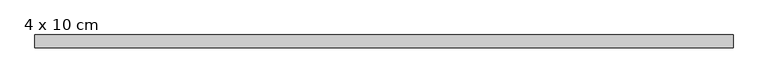
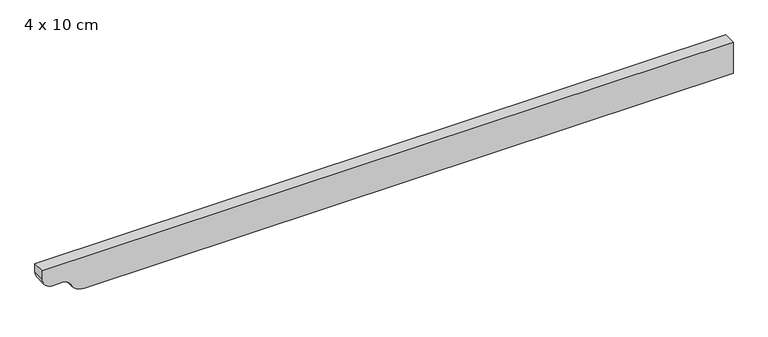
"""IFC4 building model written with IfcOpenShell, lengths in millimetres: beam geometry, 4 x 10 cm."""

from ifc_helpers import new_model, si_unit, point, frame, frame_2d, origin, place, context, project, spatial, polyline, circle_curve, trimmed, segment, composite_curve, outline, extrude, source, transform, mapped, element, save


def beam_4_x_10_cm_5cacb6c6(model_context):
    return source(origin(), model_context, "Body", "SweptSolid", [
        extrude(outline(composite_curve([segment(polyline([(50.0, 1068.0786163), (50.0, -1107.8068623), (22.5, -1107.8068623)]), True, "CONTINUOUS"), segment(trimmed(circle_curve(frame_2d((22.5, -1075.3068623)), 32.5), [point((22.5, -1107.8068623))], [point((-10.0, -1075.3068623))], False, "CARTESIAN"), True, "CONTINUOUS"), segment(polyline([(-10.0, -1075.3068623), (-10.0, -1044.2966571)]), True, "CONTINUOUS"), segment(trimmed(circle_curve(frame_2d((-40.0, -1044.2966571)), 30.0), [point((-10.0, -1044.2966571))], [point((-34.0, -1014.9027802))], True, "CARTESIAN"), True, "CONTINUOUS"), segment(trimmed(circle_curve(frame_2d((-3.1535049, -975.5518751)), 50.0), [point((-34.0, -1014.9027802))], [point((-53.1535049, -975.5518751))], False, "CARTESIAN"), True, "CONTINUOUS"), segment(polyline([(-53.1535049, -975.5518751), (-53.1535049, 1068.0786163), (50.0, 1068.0786163)]), True, "CONTINUOUS")], self_intersect=False)), frame((0.0, -20.0, 0.0), z_axis=(0.0, 1.0, 0.0), x_axis=(0.0, 0.0, 1.0)), (0.0, 0.0, 1.0), 40.0),
    ])


if __name__ == "__main__":
    model = new_model("IFC4")
    model_context = context("Model", 3, world=origin())
    ifc_project = project(units=[si_unit("LENGTHUNIT", "METRE", prefix="MILLI")], contexts=[model_context])
    site = spatial("IfcSite", under=ifc_project)
    building = spatial("IfcBuilding", under=site)
    placement = place(None, origin())
    beam_4_x_10_cm_shape = beam_4_x_10_cm_5cacb6c6(model_context)
    element("IfcBeam", 1, ObjectType="4 x 10 cm", at=placement, inside=building, context=model_context, shape_type="MappedRepresentation", body=[
        mapped(beam_4_x_10_cm_shape, transform((0.0, 0.0, 0.0), x_axis=(1.0, 0.0, 0.0), y_axis=(0.0, 1.0, 0.0), z_axis=(0.0, 0.0, 1.0))),
    ])
    save(model, "model.ifc")
